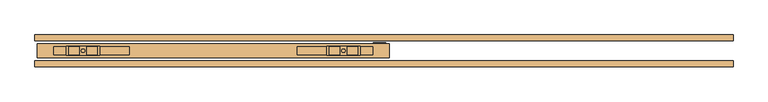
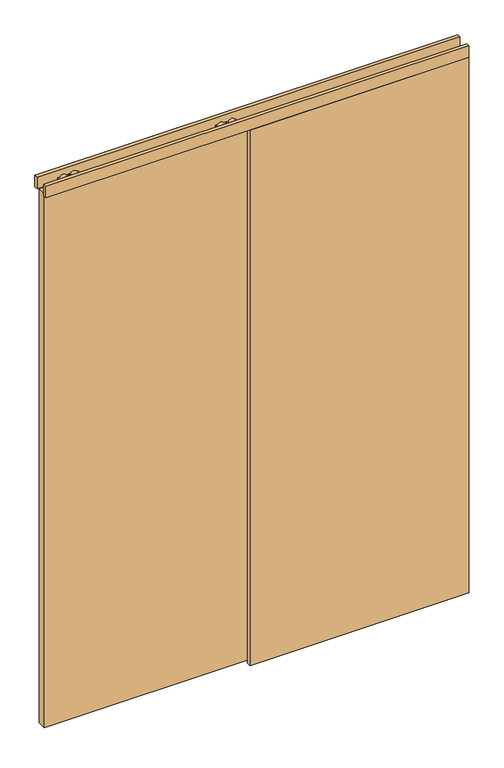
"""IFC4 building model written with IfcOpenShell, lengths in millimetres: door geometry."""

from ifc_helpers import new_model, si_unit, frame, origin, origin_with_axes, place, context, project, spatial, polyline, circle_curve, outline, extrude, source, transform, mapped, element, save
from ifc_brep_helpers import plane_surface, cylinder_surface, advanced_brep


def door_d2b15ea9(model_context):
    return source(origin(), model_context, "Body", "SolidModel", [
        advanced_brep(
        [(-820.0, 5.75, 2687.5), (-820.0, -20.25, 2687.5), (-725.0, -20.25, 2687.5), (-725.0, 5.75, 2687.5), (-762.072332, -17.9531798, 2687.5), (-762.072332, 3.4531798, 2687.5), (-731.78306, 3.4531798, 2687.5), (-731.78306, -17.9531798, 2687.5), (-813.21694, -17.9531798, 2687.5), (-813.21694, 3.4531798, 2687.5), (-782.927668, 3.4531798, 2687.5), (-782.927668, -17.9531798, 2687.5), (-777.45, -7.25, 2687.5), (-767.55, -7.25, 2687.5), (-820.0, 5.75, 2672.5), (-725.0, 5.75, 2672.5), (-725.0, -20.25, 2672.5), (-820.0, -20.25, 2672.5), (-731.78306, -17.9531798, 2672.5), (-731.78306, 3.4531798, 2672.5), (-762.072332, 3.4531798, 2672.5), (-762.072332, -17.9531798, 2672.5), (-782.927668, -17.9531798, 2672.5), (-782.927668, 3.4531798, 2672.5), (-813.21694, 3.4531798, 2672.5), (-813.21694, -17.9531798, 2672.5), (-767.55, -7.25, 2672.5), (-777.45, -7.25, 2672.5), (-767.55, -7.25, 2693.0), (-777.45, -7.25, 2693.0), (-767.55, -7.25, 2656.0), (-777.45, -7.25, 2656.0)],
        [
            (0, 1),
            (1, 2),
            (2, 3),
            (3, 0),
            (4, 5),
            (5, 6),
            (6, 7),
            (7, 4),
            (8, 9),
            (9, 10),
            (10, 11),
            (11, 8),
            (12, 13, circle_curve(frame((-772.5, -7.25, 2687.5), z_axis=(0.0, 0.0, -1.0), x_axis=(-1.0, 0.0, 0.0)), 4.95)),
            (13, 12, circle_curve(frame((-772.5, -7.25, 2687.5), z_axis=(0.0, 0.0, -1.0), x_axis=(-1.0, 0.0, 0.0)), 4.95)),
            (14, 15),
            (15, 16),
            (16, 17),
            (17, 14),
            (18, 19),
            (19, 20),
            (20, 21),
            (21, 18),
            (22, 23),
            (23, 24),
            (24, 25),
            (25, 22),
            (26, 27, circle_curve(frame((-772.5, -7.25, 2672.5), z_axis=(0.0, 0.0, 1.0), x_axis=(-1.0, 0.0, 0.0)), 4.95)),
            (27, 26, circle_curve(frame((-772.5, -7.25, 2672.5), z_axis=(0.0, 0.0, 1.0), x_axis=(-1.0, 0.0, 0.0)), 4.95)),
            (3, 15),
            (14, 0),
            (2, 16),
            (1, 17),
            (7, 4, circle_curve(frame((-746.927696, -17.9531798, 2680.0), z_axis=(0.0, -1.0, 0.0), x_axis=(-1.0, 0.0, 0.0)), 16.9)),
            (21, 18, circle_curve(frame((-746.927696, -17.9531798, 2680.0), z_axis=(0.0, -1.0, 0.0), x_axis=(-1.0, 0.0, 0.0)), 16.9)),
            (5, 6, circle_curve(frame((-746.927696, 3.4531798, 2680.0), z_axis=(0.0, 1.0, 0.0), x_axis=(-1.0, 0.0, 0.0)), 16.9)),
            (19, 20, circle_curve(frame((-746.927696, 3.4531798, 2680.0), z_axis=(0.0, 1.0, 0.0), x_axis=(-1.0, 0.0, 0.0)), 16.9)),
            (11, 8, circle_curve(frame((-798.072304, -17.9531798, 2680.0), z_axis=(0.0, -1.0, 0.0), x_axis=(1.0, 0.0, 0.0)), 16.9)),
            (25, 22, circle_curve(frame((-798.072304, -17.9531798, 2680.0), z_axis=(0.0, -1.0, 0.0), x_axis=(1.0, 0.0, 0.0)), 16.9)),
            (9, 10, circle_curve(frame((-798.072304, 3.4531798, 2680.0), z_axis=(0.0, 1.0, 0.0), x_axis=(1.0, 0.0, 0.0)), 16.9)),
            (23, 24, circle_curve(frame((-798.072304, 3.4531798, 2680.0), z_axis=(0.0, 1.0, 0.0), x_axis=(1.0, 0.0, 0.0)), 16.9)),
            (28, 29, circle_curve(frame((-772.5, -7.25, 2693.0), z_axis=(0.0, 0.0, 1.0), x_axis=(-1.0, 0.0, 0.0)), 4.95)),
            (29, 28, circle_curve(frame((-772.5, -7.25, 2693.0), z_axis=(0.0, 0.0, 1.0), x_axis=(-1.0, 0.0, 0.0)), 4.95)),
            (30, 31, circle_curve(frame((-772.5, -7.25, 2656.0), z_axis=(0.0, 0.0, -1.0), x_axis=(-1.0, 0.0, 0.0)), 4.95)),
            (31, 30, circle_curve(frame((-772.5, -7.25, 2656.0), z_axis=(0.0, 0.0, -1.0), x_axis=(-1.0, 0.0, 0.0)), 4.95)),
            (30, 26),
            (27, 31),
            (29, 12),
            (13, 28),
        ],
        [
            plane_surface(frame((-725.0, 5.75, 2687.5), z_axis=(0.0, 0.0, 1.0), x_axis=(1.0, 0.0, 0.0))),
            plane_surface(frame((-725.0, 5.75, 2672.5), z_axis=(0.0, 0.0, -1.0), x_axis=(-1.0, 0.0, 0.0))),
            plane_surface(frame((-820.0, 5.75, 2687.5), z_axis=(0.0, 1.0, 0.0), x_axis=(0.0, 0.0, -1.0))),
            plane_surface(frame((-725.0, 5.75, 2687.5), z_axis=(1.0, 0.0, 0.0), x_axis=(0.0, 0.0, -1.0))),
            plane_surface(frame((-725.0, -20.25, 2687.5), z_axis=(0.0, -1.0, 0.0), x_axis=(0.0, 0.0, -1.0))),
            plane_surface(frame((-820.0, -20.25, 2687.5), z_axis=(-1.0, 0.0, 0.0), x_axis=(0.0, 0.0, -1.0))),
            plane_surface(frame((-763.827696, -17.9531798, 2680.0), z_axis=(0.0, -1.0, 0.0), x_axis=(0.0, 0.0, 1.0))),
            plane_surface(frame((-763.827696, 3.4531798, 2680.0), z_axis=(0.0, 1.0, 0.0), x_axis=(0.0, 0.0, -1.0))),
            cylinder_surface(frame((-746.927696, 3.4531798, 2680.0), z_axis=(0.0, -1.0, 0.0), x_axis=(-1.0, 0.0, 0.0)), 16.9),
            plane_surface(frame((-781.172304, -17.9531798, 2680.0), z_axis=(0.0, -1.0, 0.0), x_axis=(0.0, 0.0, -1.0))),
            plane_surface(frame((-781.172304, 3.4531798, 2680.0), z_axis=(0.0, 1.0, 0.0), x_axis=(0.0, 0.0, 1.0))),
            cylinder_surface(frame((-798.072304, 3.4531798, 2680.0), z_axis=(0.0, -1.0, 0.0), x_axis=(1.0, 0.0, 0.0)), 16.9),
            plane_surface(frame((-777.45, -7.25, 2693.0), z_axis=(0.0, 0.0, 1.0), x_axis=(0.0, 1.0, 0.0))),
            plane_surface(frame((-777.45, -7.25, 2656.0), z_axis=(0.0, 0.0, -1.0), x_axis=(0.0, -1.0, 0.0))),
            cylinder_surface(frame((-772.5, -7.25, 2656.0), z_axis=(0.0, 0.0, 1.0), x_axis=(-1.0, 0.0, 0.0)), 4.95),
        ],
        [
            (0, [[1, 2, 3, 4], [5, 6, 7, 8], [9, 10, 11, 12], [13, 14]]),
            (1, [[15, 16, 17, 18], [19, 20, 21, 22], [23, 24, 25, 26], [27, 28]]),
            (2, [[29, -15, 30, -4]]),
            (3, [[31, -16, -29, -3]]),
            (4, [[32, -17, -31, -2]]),
            (5, [[-30, -18, -32, -1]]),
            (6, [[-8, 33]]),
            (6, [[-22, 34]]),
            (7, [[-6, 35]]),
            (7, [[-20, 36]]),
            (8, [[-21, -36, -19, -34]]),
            (8, [[-7, -35, -5, -33]]),
            (9, [[-12, 37]]),
            (9, [[-26, 38]]),
            (10, [[-10, 39]]),
            (10, [[-24, 40]]),
            (11, [[-25, -40, -23, -38]]),
            (11, [[-11, -39, -9, -37]]),
            (12, [[41, 42]]),
            (13, [[43, 44]]),
            (14, [[45, -28, 46, -43]]),
            (14, [[47, -14, 48, -42]]),
            (14, [[-48, -13, -47, -41]]),
            (14, [[-46, -27, -45, -44]]),
        ],
    ),
        extrude(outline(polyline([(-856.5, -18.5074263), (-856.5, 3.4925737), (-641.5, 3.4925737), (-641.5, -18.5074263), (-856.5, -18.5074263)])), frame((0.0, 0.0, 2631.2), z_axis=(0.0, 0.0, 1.0), x_axis=(1.0, 0.0, 0.0)), (0.0, 0.0, 1.0), 24.8),
        advanced_brep(
        [(15.0, 5.75, 2687.5), (-80.0, 5.75, 2687.5), (-80.0, -20.25, 2687.5), (15.0, -20.25, 2687.5), (-42.927668, -17.9531798, 2687.5), (-73.21694, -17.9531798, 2687.5), (-73.21694, 3.4531798, 2687.5), (-42.927668, 3.4531798, 2687.5), (8.21694, -17.9531798, 2687.5), (-22.072332, -17.9531798, 2687.5), (-22.072332, 3.4531798, 2687.5), (8.21694, 3.4531798, 2687.5), (-27.55, -7.25, 2687.5), (-37.45, -7.25, 2687.5), (15.0, 5.75, 2672.5), (15.0, -20.25, 2672.5), (-80.0, -20.25, 2672.5), (-80.0, 5.75, 2672.5), (-73.21694, -17.9531798, 2672.5), (-42.927668, -17.9531798, 2672.5), (-42.927668, 3.4531798, 2672.5), (-73.21694, 3.4531798, 2672.5), (-22.072332, -17.9531798, 2672.5), (8.21694, -17.9531798, 2672.5), (8.21694, 3.4531798, 2672.5), (-22.072332, 3.4531798, 2672.5), (-37.45, -7.25, 2672.5), (-27.55, -7.25, 2672.5), (-37.45, -7.25, 2693.0), (-27.55, -7.25, 2693.0), (-37.45, -7.25, 2656.0), (-27.55, -7.25, 2656.0)],
        [
            (0, 1),
            (1, 2),
            (2, 3),
            (3, 0),
            (4, 5),
            (5, 6),
            (6, 7),
            (7, 4),
            (8, 9),
            (9, 10),
            (10, 11),
            (11, 8),
            (12, 13, circle_curve(frame((-32.5, -7.25, 2687.5), z_axis=(0.0, 0.0, -1.0), x_axis=(1.0, 0.0, 0.0)), 4.95)),
            (13, 12, circle_curve(frame((-32.5, -7.25, 2687.5), z_axis=(0.0, 0.0, -1.0), x_axis=(1.0, 0.0, 0.0)), 4.95)),
            (14, 15),
            (15, 16),
            (16, 17),
            (17, 14),
            (18, 19),
            (19, 20),
            (20, 21),
            (21, 18),
            (22, 23),
            (23, 24),
            (24, 25),
            (25, 22),
            (26, 27, circle_curve(frame((-32.5, -7.25, 2672.5), z_axis=(0.0, 0.0, 1.0), x_axis=(1.0, 0.0, 0.0)), 4.95)),
            (27, 26, circle_curve(frame((-32.5, -7.25, 2672.5), z_axis=(0.0, 0.0, 1.0), x_axis=(1.0, 0.0, 0.0)), 4.95)),
            (0, 14),
            (17, 1),
            (16, 2),
            (15, 3),
            (18, 19, circle_curve(frame((-58.072304, -17.9531798, 2680.0), z_axis=(0.0, -1.0, 0.0), x_axis=(1.0, 0.0, 0.0)), 16.9)),
            (4, 5, circle_curve(frame((-58.072304, -17.9531798, 2680.0), z_axis=(0.0, -1.0, 0.0), x_axis=(1.0, 0.0, 0.0)), 16.9)),
            (6, 7, circle_curve(frame((-58.072304, 3.4531798, 2680.0), z_axis=(0.0, 1.0, 0.0), x_axis=(1.0, 0.0, 0.0)), 16.9)),
            (20, 21, circle_curve(frame((-58.072304, 3.4531798, 2680.0), z_axis=(0.0, 1.0, 0.0), x_axis=(1.0, 0.0, 0.0)), 16.9)),
            (8, 9, circle_curve(frame((-6.927696, -17.9531798, 2680.0), z_axis=(0.0, -1.0, 0.0), x_axis=(-1.0, 0.0, 0.0)), 16.9)),
            (22, 23, circle_curve(frame((-6.927696, -17.9531798, 2680.0), z_axis=(0.0, -1.0, 0.0), x_axis=(-1.0, 0.0, 0.0)), 16.9)),
            (24, 25, circle_curve(frame((-6.927696, 3.4531798, 2680.0), z_axis=(0.0, 1.0, 0.0), x_axis=(-1.0, 0.0, 0.0)), 16.9)),
            (10, 11, circle_curve(frame((-6.927696, 3.4531798, 2680.0), z_axis=(0.0, 1.0, 0.0), x_axis=(-1.0, 0.0, 0.0)), 16.9)),
            (28, 29, circle_curve(frame((-32.5, -7.25, 2693.0), z_axis=(0.0, 0.0, 1.0), x_axis=(1.0, 0.0, 0.0)), 4.95)),
            (29, 28, circle_curve(frame((-32.5, -7.25, 2693.0), z_axis=(0.0, 0.0, 1.0), x_axis=(1.0, 0.0, 0.0)), 4.95)),
            (30, 31, circle_curve(frame((-32.5, -7.25, 2656.0), z_axis=(0.0, 0.0, -1.0), x_axis=(1.0, 0.0, 0.0)), 4.95)),
            (31, 30, circle_curve(frame((-32.5, -7.25, 2656.0), z_axis=(0.0, 0.0, -1.0), x_axis=(1.0, 0.0, 0.0)), 4.95)),
            (28, 13),
            (12, 29),
            (31, 27),
            (26, 30),
        ],
        [
            plane_surface(frame((-80.0, 5.75, 2687.5), z_axis=(0.0, 0.0, 1.0), x_axis=(-1.0, 0.0, 0.0))),
            plane_surface(frame((-80.0, 5.75, 2672.5), z_axis=(0.0, 0.0, -1.0), x_axis=(1.0, 0.0, 0.0))),
            plane_surface(frame((15.0, 5.75, 2687.5), z_axis=(0.0, 1.0, 0.0), x_axis=(0.0, 0.0, -1.0))),
            plane_surface(frame((-80.0, 5.75, 2687.5), z_axis=(-1.0, 0.0, 0.0), x_axis=(0.0, 0.0, -1.0))),
            plane_surface(frame((-80.0, -20.25, 2687.5), z_axis=(0.0, -1.0, 0.0), x_axis=(0.0, 0.0, -1.0))),
            plane_surface(frame((15.0, -20.25, 2687.5), z_axis=(1.0, 0.0, 0.0), x_axis=(0.0, 0.0, -1.0))),
            plane_surface(frame((-41.172304, -17.9531798, 2680.0), z_axis=(0.0, -1.0, 0.0), x_axis=(0.0, 0.0, 1.0))),
            plane_surface(frame((-41.172304, 3.4531798, 2680.0), z_axis=(0.0, 1.0, 0.0), x_axis=(0.0, 0.0, -1.0))),
            cylinder_surface(frame((-58.072304, 3.4531798, 2680.0), z_axis=(0.0, -1.0, 0.0), x_axis=(1.0, 0.0, 0.0)), 16.9),
            plane_surface(frame((-23.827696, -17.9531798, 2680.0), z_axis=(0.0, -1.0, 0.0), x_axis=(0.0, 0.0, -1.0))),
            plane_surface(frame((-23.827696, 3.4531798, 2680.0), z_axis=(0.0, 1.0, 0.0), x_axis=(0.0, 0.0, 1.0))),
            cylinder_surface(frame((-6.927696, 3.4531798, 2680.0), z_axis=(0.0, -1.0, 0.0), x_axis=(-1.0, 0.0, 0.0)), 16.9),
            plane_surface(frame((-27.55, -7.25, 2693.0), z_axis=(0.0, 0.0, 1.0), x_axis=(0.0, 1.0, 0.0))),
            plane_surface(frame((-27.55, -7.25, 2656.0), z_axis=(0.0, 0.0, -1.0), x_axis=(0.0, -1.0, 0.0))),
            cylinder_surface(frame((-32.5, -7.25, 2656.0), z_axis=(0.0, 0.0, 1.0), x_axis=(1.0, 0.0, 0.0)), 4.95),
        ],
        [
            (0, [[1, 2, 3, 4], [5, 6, 7, 8], [9, 10, 11, 12], [13, 14]]),
            (1, [[15, 16, 17, 18], [19, 20, 21, 22], [23, 24, 25, 26], [27, 28]]),
            (2, [[-1, 29, -18, 30]]),
            (3, [[-2, -30, -17, 31]]),
            (4, [[-3, -31, -16, 32]]),
            (5, [[-4, -32, -15, -29]]),
            (6, [[33, -19]]),
            (6, [[34, -5]]),
            (7, [[35, -7]]),
            (7, [[36, -21]]),
            (8, [[-33, -22, -36, -20]]),
            (8, [[-34, -8, -35, -6]]),
            (9, [[37, -9]]),
            (9, [[38, -23]]),
            (10, [[39, -25]]),
            (10, [[40, -11]]),
            (11, [[-38, -26, -39, -24]]),
            (11, [[-37, -12, -40, -10]]),
            (12, [[41, 42]]),
            (13, [[43, 44]]),
            (14, [[-41, 45, -13, 46]]),
            (14, [[-44, 47, -27, 48]]),
            (14, [[-42, -46, -14, -45]]),
            (14, [[-43, -48, -28, -47]]),
        ],
    ),
        extrude(outline(polyline([(51.5, -18.5074263), (-163.5, -18.5074263), (-163.5, 3.4925737), (51.5, 3.4925737), (51.5, -18.5074263)])), frame((0.0, 0.0, 2631.2), z_axis=(0.0, 0.0, 1.0), x_axis=(1.0, 0.0, 0.0)), (0.0, 0.0, 1.0), 24.8),
        extrude(outline(polyline([(-902.5, 12.75), (97.5, 12.75), (97.5, -27.25), (-902.5, -27.25), (-902.5, 12.75)])), frame((0.0, 0.0, 10.0), z_axis=(0.0, 0.0, 1.0), x_axis=(1.0, 0.0, 0.0)), (0.0, 0.0, 1.0), 2646.0),
        extrude(outline(polyline([(15.3483682, 2.0), (15.3483682, 0.0), (-21.25, 0.0), (-21.25, 2.0), (-2.6516318, 2.0), (-2.6516318, 26.0), (1.6516318, 26.0), (1.6516318, 2.0), (15.3483682, 2.0)])), frame((52.5, 0.0, 0.0), z_axis=(1.0, 0.0, 0.0), x_axis=(0.0, 1.0, 0.0)), (0.0, 0.0, 1.0), 35.0),
        extrude(outline(polyline([(1075.5, 37.75), (1075.5, 20.75), (-909.5, 20.75), (-909.5, 37.75), (1075.5, 37.75)])), frame((0.0, 0.0, 2655.0), z_axis=(0.0, 0.0, 1.0), x_axis=(1.0, 0.0, 0.0)), (0.0, 0.0, 1.0), 57.0),
        extrude(outline(polyline([(1075.5, -35.25), (1075.5, -52.25), (-909.5, -52.25), (-909.5, -35.25), (1075.5, -35.25)])), frame((0.0, 0.0, 2655.0), z_axis=(0.0, 0.0, 1.0), x_axis=(1.0, 0.0, 0.0)), (0.0, 0.0, 1.0), 57.0),
        extrude(outline(polyline([(1075.5, 37.75), (1075.5, 20.75), (47.5, 20.75), (47.5, 37.75), (1075.5, 37.75)])), origin_with_axes(), (0.0, 0.0, 1.0), 2655.0),
        extrude(outline(polyline([(1075.5, -35.25), (1075.5, -52.25), (47.5, -52.25), (47.5, -35.25), (1075.5, -35.25)])), origin_with_axes(), (0.0, 0.0, 1.0), 2655.0),
    ])


if __name__ == "__main__":
    model = new_model("IFC4")
    model_context = context("Model", 3, world=origin())
    ifc_project = project(units=[si_unit("LENGTHUNIT", "METRE", prefix="MILLI")], contexts=[model_context])
    site = spatial("IfcSite", under=ifc_project)
    building = spatial("IfcBuilding", under=site)
    placement = place(None, origin())
    door_shape = door_d2b15ea9(model_context)
    element("IfcDoor", 1, at=placement, inside=building, context=model_context, shape_type="MappedRepresentation", body=[
        mapped(door_shape, transform((0.0, 0.0, 0.0), x_axis=(1.0, 0.0, 0.0), y_axis=(0.0, 1.0, 0.0), z_axis=(0.0, 0.0, 1.0))),
    ])
    save(model, "model.ifc")
